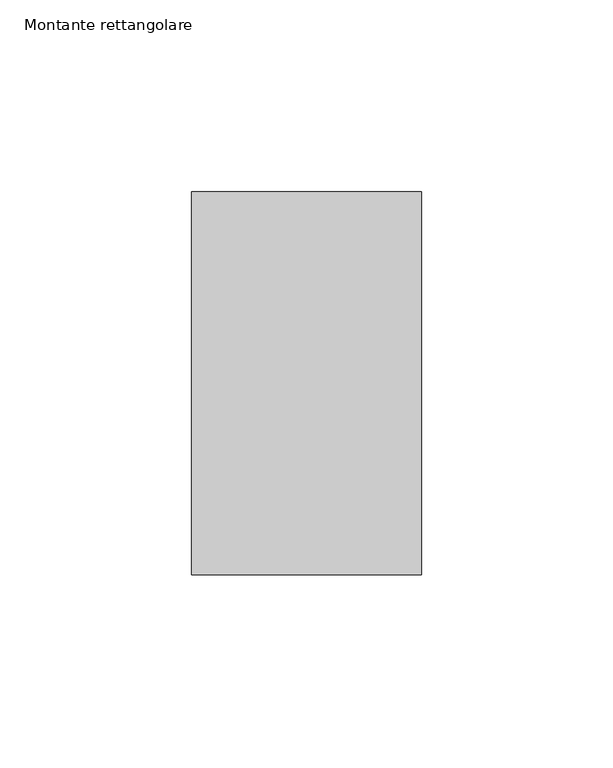
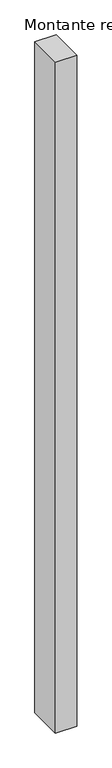
"""IFC4 building model written with IfcOpenShell, lengths in millimetres: member geometry, Montante rettangolare."""

from ifc_helpers import new_model, si_unit, frame, origin, place, context, project, spatial, polyline, outline, extrude, source, transform, mapped, element, save


def montante_rettangolare_f7406e8d(model_context):
    return source(origin(), model_context, "Body", "SweptSolid", [
        extrude(outline(polyline([(30.0, 50.0), (30.0, -50.0), (-30.0, -50.0), (-30.0, 50.0), (30.0, 50.0)])), frame((0.0, 0.0, -2002.7702144), z_axis=(0.0, 0.0, 1.0), x_axis=(1.0, 0.0, 0.0)), (0.0, 0.0, 1.0), 2002.7702144),
    ])


if __name__ == "__main__":
    model = new_model("IFC4")
    model_context = context("Model", 3, world=origin())
    ifc_project = project(units=[si_unit("LENGTHUNIT", "METRE", prefix="MILLI")], contexts=[model_context])
    site = spatial("IfcSite", under=ifc_project)
    building = spatial("IfcBuilding", under=site)
    placement = place(None, origin())
    montante_rettangolare_shape = montante_rettangolare_f7406e8d(model_context)
    element("IfcMember", 1, ObjectType="Montante rettangolare", at=placement, inside=building, context=model_context, shape_type="MappedRepresentation", body=[
        mapped(montante_rettangolare_shape, transform((0.0, 0.0, 0.0), x_axis=(1.0, 0.0, 0.0), y_axis=(0.0, 1.0, 0.0), z_axis=(0.0, 0.0, 1.0))),
    ])
    save(model, "model.ifc")
